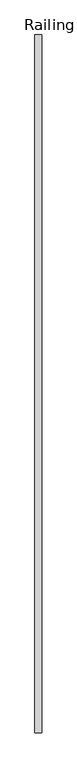
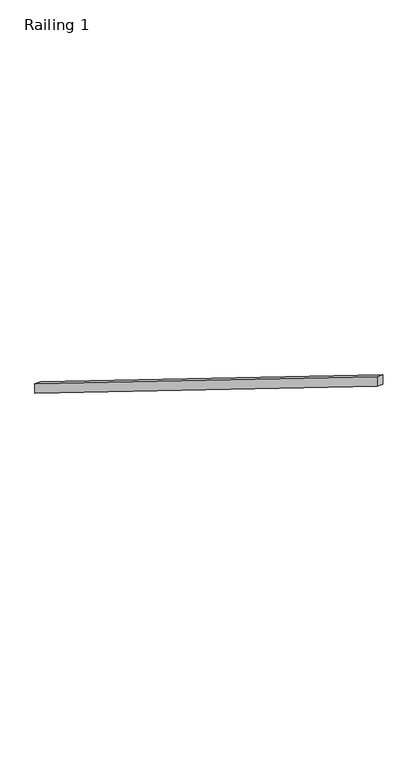
"""IFC4 building model written with IfcOpenShell, lengths in millimetres: railing geometry, Railing 1."""

import ifcopenshell
import ifcopenshell.guid

model = None  # the IFC model being written
_history = None  # IfcOwnerHistory: only IFC2X3 demands one
_inside = {}  # id of a spatial element -> (the spatial element, [elements in it])
_under = {}  # id of a project, library or spatial element -> (it, [spatial elements below it])
_declared = {}  # id of a project -> (the project, [libraries it declares])
_typed = {}  # id of a type object -> (the type object, [elements of that type])
_made_of = {}  # id of a material, layer set ... -> (it, [elements and type objects made of it])


def new_model(schema):
    """Start an empty IFC model of exactly this schema.

    Asked for "IFC4X3", IfcOpenShell would pick the latest addendum, in which some entities
    have other attributes; the version numbers below select the first issue.
    IFC2X3 requires an IfcOwnerHistory on every rooted entity: one is made here for all.
    """
    global model, _history
    if schema == "IFC4X3":
        model = ifcopenshell.file(schema_version=(4, 3, 0, 0))
    else:
        model = ifcopenshell.file(schema=schema)
    _inside.clear()
    _under.clear()
    _declared.clear()
    _typed.clear()
    _made_of.clear()
    _history = None
    if model.schema == "IFC2X3":
        org = make("IfcOrganization", Name="unknown")
        user = make(
            "IfcPersonAndOrganization",
            ThePerson=make("IfcPerson", FamilyName="unknown"),
            TheOrganization=org,
        )
        app = make(
            "IfcApplication",
            ApplicationDeveloper=org,
            Version="unknown",
            ApplicationFullName="unknown",
            ApplicationIdentifier="unknown",
        )
        _history = make(
            "IfcOwnerHistory",
            OwningUser=user,
            OwningApplication=app,
            ChangeAction="ADDED",
            CreationDate=0,
        )
    return model


def make(cls, **values):
    """One entity of the class cls with the attributes given. An attribute that is None is left unset."""
    return model.create_entity(
        cls, **{name: value for name, value in values.items() if value is not None}
    )


def rooted(cls, **values):
    """An entity with a GlobalId (a new one), such as an element, a storey or a relation."""
    return make(cls, GlobalId=ifcopenshell.guid.new(), OwnerHistory=_history, **values)


def si_unit(unit_type, name, prefix=None):
    """IfcSIUnit, for example si_unit("LENGTHUNIT", "METRE", prefix="MILLI")."""
    return make("IfcSIUnit", UnitType=unit_type, Prefix=prefix, Name=name)


def assignment(units):
    """IfcUnitAssignment: the units of a project."""
    return None if units is None else make("IfcUnitAssignment", Units=units)


def point(xyz):
    """IfcCartesianPoint."""
    return None if xyz is None else make("IfcCartesianPoint", Coordinates=xyz)


def direction(xyz):
    """IfcDirection."""
    return None if xyz is None else make("IfcDirection", DirectionRatios=xyz)


def frame(location, z_axis=None, x_axis=None):
    """IfcAxis2Placement3D, a coordinate frame: its origin and axes. An axis left out is left unset."""
    return make(
        "IfcAxis2Placement3D",
        Location=point(location),
        Axis=direction(z_axis),
        RefDirection=direction(x_axis),
    )


def origin():
    """The frame at (0, 0, 0) with its axes left unset."""
    return frame((0.0, 0.0, 0.0))


def place(relative_to, where):
    """IfcLocalPlacement: puts the frame where relative to a parent placement (None: the world)."""
    return make(
        "IfcLocalPlacement", PlacementRelTo=relative_to, RelativePlacement=where
    )


def context(
    kind, dimensions, precision=None, world=None, true_north=None, identifier=None
):
    """IfcGeometricRepresentationContext, for example the 3D "Model" context."""
    return make(
        "IfcGeometricRepresentationContext",
        ContextIdentifier=identifier,
        ContextType=kind,
        CoordinateSpaceDimension=dimensions,
        Precision=precision,
        WorldCoordinateSystem=world,
        TrueNorth=true_north,
    )


def project(units=None, contexts=None):
    """IfcProject with its units and contexts."""
    return rooted(
        "IfcProject",
        Name="project",
        RepresentationContexts=contexts,
        UnitsInContext=assignment(units),
    )


def spatial(cls, under=None, at=None, **own):
    """A site, building, storey or space (cls), placed at a placement, below another one or the project."""
    s = rooted(cls, ObjectPlacement=at, **own)
    if under is not None:
        _under.setdefault(under.id(), (under, []))[1].append(s)
    return s


def polyline(points):
    """IfcPolyline through the points."""
    return make("IfcPolyline", Points=[point(p) for p in points])


def outline(outer, holes=None, kind="AREA"):
    """IfcArbitraryClosedProfileDef: a profile drawn as a closed curve; with holes, ...WithVoids."""
    if holes is None:
        return make("IfcArbitraryClosedProfileDef", ProfileType=kind, OuterCurve=outer)
    return make(
        "IfcArbitraryProfileDefWithVoids",
        ProfileType=kind,
        OuterCurve=outer,
        InnerCurves=holes,
    )


def extrude(swept, where, along, depth):
    """IfcExtrudedAreaSolid: the profile swept, set in the frame where, extruded along a direction by depth."""
    return make(
        "IfcExtrudedAreaSolid",
        SweptArea=swept,
        Position=where,
        ExtrudedDirection=direction(along),
        Depth=depth,
    )


def shape(context_of_items, identifier, shape_type, items):
    """IfcShapeRepresentation: the items that make up one representation, for example the "Body"."""
    return make(
        "IfcShapeRepresentation",
        ContextOfItems=context_of_items,
        RepresentationIdentifier=identifier,
        RepresentationType=shape_type,
        Items=items,
    )


def source(mapping_origin, context_of_items, identifier, shape_type, items):
    """IfcRepresentationMap: a shape defined once, which mapped items show again and again."""
    return make(
        "IfcRepresentationMap",
        MappingOrigin=mapping_origin,
        MappedRepresentation=shape(context_of_items, identifier, shape_type, items),
    )


def transform(
    local_origin,
    x_axis=None,
    y_axis=None,
    z_axis=None,
    scale=None,
    scale2=None,
    scale3=None,
    uniform=True,
):
    """IfcCartesianTransformationOperator3D, or its non-uniform kind. x_axis, y_axis, z_axis: its Axis1, 2, 3."""
    if uniform:
        return make(
            "IfcCartesianTransformationOperator3D",
            Axis1=direction(x_axis),
            Axis2=direction(y_axis),
            LocalOrigin=point(local_origin),
            Scale=scale,
            Axis3=direction(z_axis),
        )
    return make(
        "IfcCartesianTransformationOperator3DnonUniform",
        Axis1=direction(x_axis),
        Axis2=direction(y_axis),
        LocalOrigin=point(local_origin),
        Scale=scale,
        Axis3=direction(z_axis),
        Scale2=scale2,
        Scale3=scale3,
    )


def mapped(mapping_source, mapping_target):
    """IfcMappedItem: shows the shape of a source again, moved by a transform."""
    return make(
        "IfcMappedItem", MappingSource=mapping_source, MappingTarget=mapping_target
    )


def made_of(thing, what):
    """Note that an element or type object is made of a material, layer set ...; save() writes the relation."""
    if what is not None:
        _made_of.setdefault(what.id(), (what, []))[1].append(thing)
    return thing


def element(
    cls,
    number,
    at=None,
    inside=None,
    cuts=None,
    type_object=None,
    material=None,
    context=None,
    identifier="Body",
    shape_type=None,
    held_by="IfcProductDefinitionShape",
    body=None,
    shapes=None,
    **own,
):
    """One element of the class cls, such as IfcWall. Its Tag is "e" and its number.

    at: its placement. inside: the storey or other place that contains it. cuts: it is an
    opening in that element (IfcRelVoidsElement). A single representation is given by context,
    identifier, shape_type and body (its items); several are given by shapes. held_by: the class
    of the entity that holds the representations. save() writes the other relations.
    """
    e = rooted(cls, Tag="e%d" % number, ObjectPlacement=at, **own)
    if body is not None:
        shapes = [shape(context, identifier, shape_type, body)]
    if shapes is not None:
        e.Representation = make(held_by, Representations=shapes)
    if inside is not None:
        _inside.setdefault(inside.id(), (inside, []))[1].append(e)
    if cuts is not None:
        rooted(
            "IfcRelVoidsElement", RelatingBuildingElement=cuts, RelatedOpeningElement=e
        )
    if type_object is not None:
        _typed.setdefault(type_object.id(), (type_object, []))[1].append(e)
    return made_of(e, material)


def aggregate(whole, parts):
    """IfcRelAggregates: a whole, such as a stair, and the parts it consists of."""
    return rooted("IfcRelAggregates", RelatingObject=whole, RelatedObjects=parts)


def save(model, path):
    """Write the relations noted so far, then the file.

    IfcRelAggregates (storeys below a building ...), IfcRelContainedInSpatialStructure (elements
    in a storey), IfcRelDefinesByType, IfcRelAssociatesMaterial and IfcRelDeclares: one each for
    every whole, place, type object, material and project.
    """
    for whole, parts in _under.values():
        aggregate(whole, parts)
    for where, things in _inside.values():
        rooted(
            "IfcRelContainedInSpatialStructure",
            RelatedElements=things,
            RelatingStructure=where,
        )
    for kind, things in _typed.values():
        rooted("IfcRelDefinesByType", RelatedObjects=things, RelatingType=kind)
    for what, things in _made_of.values():
        rooted("IfcRelAssociatesMaterial", RelatedObjects=things, RelatingMaterial=what)
    for by, libraries in _declared.values():
        rooted("IfcRelDeclares", RelatingContext=by, RelatedDefinitions=libraries)
    model.write(path)


def railing_1_193b1bf3(model_context):
    return source(origin(), model_context, "Body", "SweptSolid", [
        extrude(outline(polyline([(168780.5846581, 1228.4891807), (168780.5846581, 1138.891811), (163548.1846581, 4375.1603718), (163548.1846581, 4464.7577415), (168780.5846581, 1228.4891807)])), frame((221838.0228488, 0.0, 0.0), z_axis=(1.0, 0.0, 0.0), x_axis=(0.0, 1.0, 0.0)), (0.0, 0.0, 1.0), 50.8),
    ])


if __name__ == "__main__":
    model = new_model("IFC4")
    model_context = context("Model", 3, world=origin())
    ifc_project = project(units=[si_unit("LENGTHUNIT", "METRE", prefix="MILLI")], contexts=[model_context])
    site = spatial("IfcSite", under=ifc_project)
    building = spatial("IfcBuilding", under=site)
    placement = place(None, origin())
    railing_1_shape = railing_1_193b1bf3(model_context)
    element("IfcRailing", 1, ObjectType="Railing 1", at=placement, inside=building, context=model_context, shape_type="MappedRepresentation", body=[
        mapped(railing_1_shape, transform((0.0, 0.0, 0.0), x_axis=(1.0, 0.0, 0.0), y_axis=(0.0, 1.0, 0.0), z_axis=(0.0, 0.0, 1.0))),
    ])
    save(model, "model.ifc")
